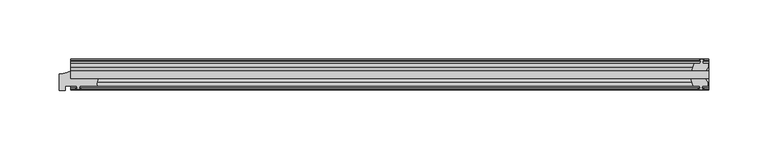
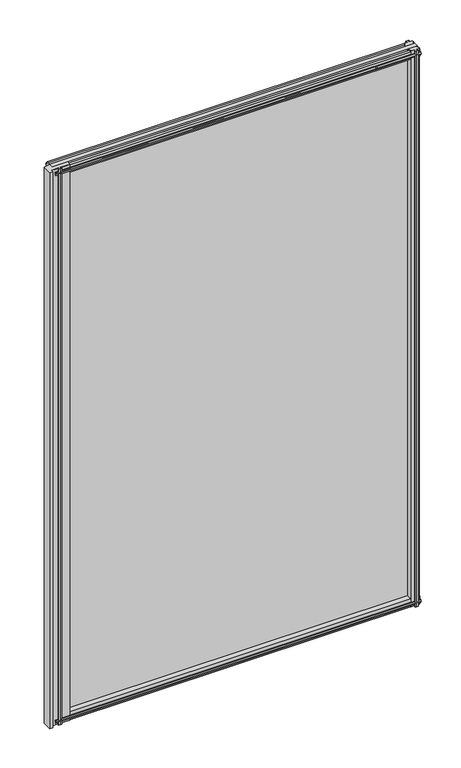
"""IFC4 building model written with IfcOpenShell, lengths in millimetres: plate geometry."""

from ifc_helpers import new_model, si_unit, point, frame, frame_2d, origin, place, context, project, spatial, polyline, circle_curve, trimmed, segment, composite_curve, outline, extrude, source, transform, mapped, element, save


def plate_9b2e7d9c(model_context):
    return source(origin(), model_context, "Body", "SweptSolid", [
        extrude(outline(polyline([(-273.05, -19.5460937), (263.525, -19.5460937), (263.525, -25.8960937), (-273.05, -25.8960937), (-273.05, -19.5460937)])), frame((0.0, 0.0, -12.7), z_axis=(0.0, 0.0, 1.0), x_axis=(1.0, 0.0, 0.0)), (0.0, 0.0, 1.0), 863.6),
        extrude(outline(polyline([(260.5503038, -25.8960937), (262.763, -29.2996938), (262.763, -32.2460938), (258.318, -32.2460938), (257.937, -34.6262907), (259.352529, -34.1663575), (259.352529, -34.9675717), (257.175, -35.6750938), (254.9974709, -34.9675717), (254.9974709, -34.1663575), (256.413, -34.6262907), (256.032, -32.2460938), (250.825, -32.2460938), (248.7197229, -25.8960937), (260.5503038, -25.8960937)])), frame((0.0, 0.0, -12.7), z_axis=(0.0, 0.0, 1.0), x_axis=(1.0, 0.0, 0.0)), (0.0, 0.0, 1.0), 863.6),
        extrude(outline(polyline([(255.5181709, -10.4746158), (257.6957, -9.7670938), (259.873229, -10.4746158), (259.873229, -11.27583), (258.4577, -10.8158968), (258.8387, -13.1960938), (263.2837, -13.1960938), (263.2837, -16.1424938), (261.0710038, -19.5460937), (249.2404229, -19.5460937), (251.3457, -13.1960938), (256.5527, -13.1960938), (256.9337, -10.8158968), (255.5181709, -11.27583), (255.5181709, -10.4746158)])), frame((0.0, 0.0, -12.7), z_axis=(0.0, 0.0, 1.0), x_axis=(1.0, 0.0, 0.0)), (0.0, 0.0, 1.0), 863.6),
        extrude(outline(composite_curve([segment(trimmed(circle_curve(frame_2d((-282.575, -2.913372)), 19.164849), [point((-282.575, -22.0782211))], [point((-273.0542854, -19.5460937))], True, "CARTESIAN"), True, "CONTINUOUS"), segment(polyline([(-273.0542854, -19.5460937), (-273.0542854, -25.8960937), (-249.7322351, -25.8960937)]), True, "CONTINUOUS"), segment(trimmed(circle_curve(frame_2d((-242.0204241, -30.493422)), 8.9781654), [point((-249.7322351, -25.8960937))], [point((-250.8258541, -32.2460937))], True, "CARTESIAN"), True, "CONTINUOUS"), segment(polyline([(-250.8258541, -32.2460937), (-265.4342854, -32.2460937), (-265.7517854, -34.3506957), (-264.5331795, -34.0241712), (-264.3293854, -34.7847412), (-266.7042854, -35.4210937), (-269.0791854, -34.7847412), (-268.8753913, -34.0241712), (-267.6567854, -34.3506957), (-267.9742854, -32.2460937), (-277.7998, -32.2460937), (-277.7998, -36.1501817), (-282.575, -36.1501817), (-282.575, -22.0782211)]), True, "CONTINUOUS")], self_intersect=False)), frame((0.0, 0.0, -12.7), z_axis=(0.0, 0.0, 1.0), x_axis=(1.0, 0.0, 0.0)), (0.0, 0.0, 1.0), 863.6),
        extrude(outline(polyline([(-13.1960937, 850.6587), (-13.1960937, 846.2137), (-10.8158968, 845.8327), (-11.27583, 847.248229), (-10.4746158, 847.248229), (-9.7670937, 845.0707), (-10.4746158, 842.8931709), (-11.27583, 842.8931709), (-10.8158968, 844.3087), (-13.1960937, 843.9277), (-13.1960937, 838.7207), (-19.5460937, 836.6154229), (-19.5460937, 848.4460038), (-16.1424937, 850.6587), (-13.1960937, 850.6587)])), frame((-273.05, 0.0, 0.0), z_axis=(1.0, 0.0, 0.0), x_axis=(0.0, 1.0, 0.0)), (0.0, 0.0, 1.0), 536.575),
        extrude(outline(polyline([(-29.2996937, 850.138), (-25.8960937, 847.9253038), (-25.8960937, 836.0947229), (-32.2460937, 838.2), (-32.2460937, 843.407), (-34.6262907, 843.788), (-34.1663575, 842.3724709), (-34.9675717, 842.3724709), (-35.6750937, 844.55), (-34.9675717, 846.7275291), (-34.1663575, 846.7275291), (-34.6262907, 845.312), (-32.2460937, 845.693), (-32.2460937, 850.138), (-29.2996937, 850.138)])), frame((-273.05, 0.0, 0.0), z_axis=(1.0, 0.0, 0.0), x_axis=(0.0, 1.0, 0.0)), (0.0, 0.0, 1.0), 536.575),
        extrude(outline(polyline([(-25.8960937, 2.1052771), (-25.8960937, -9.7253038), (-29.2996937, -11.938), (-32.2460937, -11.938), (-32.2460937, -7.493), (-34.6262907, -7.112), (-34.1663575, -8.5275291), (-34.9675717, -8.5275291), (-35.6750937, -6.35), (-34.9675717, -4.1724709), (-34.1663575, -4.1724709), (-34.6262907, -5.588), (-32.2460937, -5.207), (-32.2460937, 0.0), (-25.8960937, 2.1052771)])), frame((-273.05, 0.0, 0.0), z_axis=(1.0, 0.0, 0.0), x_axis=(0.0, 1.0, 0.0)), (0.0, 0.0, 1.0), 536.575),
        extrude(outline(polyline([(-19.5460937, 1.5845771), (-13.1960937, -0.5207), (-13.1960937, -5.7277), (-10.8158968, -6.1087), (-11.27583, -4.6931709), (-10.4746158, -4.6931709), (-9.7670937, -6.8707), (-10.4746158, -9.048229), (-11.27583, -9.048229), (-10.8158968, -7.6327), (-13.1960937, -8.0137), (-13.1960937, -12.4587), (-16.1424937, -12.4587), (-19.5460937, -10.2460038), (-19.5460937, 1.5845771)])), frame((-273.05, 0.0, 0.0), z_axis=(1.0, 0.0, 0.0), x_axis=(0.0, 1.0, 0.0)), (0.0, 0.0, 1.0), 536.575),
    ])


if __name__ == "__main__":
    model = new_model("IFC4")
    model_context = context("Model", 3, world=origin())
    ifc_project = project(units=[si_unit("LENGTHUNIT", "METRE", prefix="MILLI")], contexts=[model_context])
    site = spatial("IfcSite", under=ifc_project)
    building = spatial("IfcBuilding", under=site)
    placement = place(None, origin())
    plate_shape = plate_9b2e7d9c(model_context)
    element("IfcPlate", 1, at=placement, inside=building, context=model_context, shape_type="MappedRepresentation", body=[
        mapped(plate_shape, transform((0.0, 0.0, 0.0), x_axis=(1.0, 0.0, 0.0), y_axis=(0.0, 1.0, 0.0), z_axis=(0.0, 0.0, 1.0))),
    ])
    save(model, "model.ifc")
